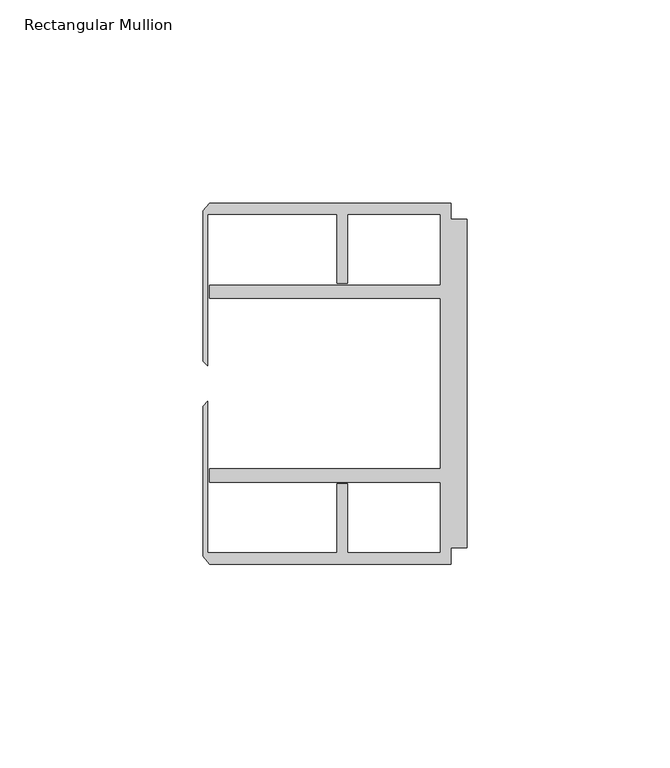
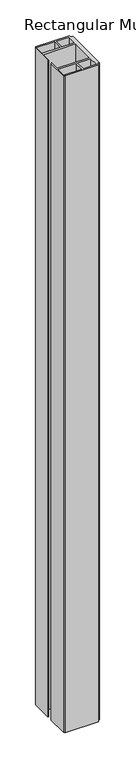
"""IFC4 building model written with IfcOpenShell, lengths in millimetres: member geometry, Rectangular Mullion."""

from ifc_helpers import new_model, si_unit, frame, origin, place, context, project, spatial, polyline, outline, extrude, source, transform, mapped, element, save


def rectangular_mullion_b675a989(model_context):
    return source(origin(), model_context, "Body", "SweptSolid", [
        extrude(outline(polyline([(-4.0000001, 44.45), (-4.0000001, 40.4500013), (0.0, 40.4500013), (0.0, -40.4500013), (-4.0000001, -40.4500013), (-4.0000001, -44.45), (-63.5, -44.45), (-65.0875, -42.5778955), (-65.0875, -5.55625), (-63.9424102, -4.4111602), (-63.9424102, -41.6500013), (-32.0000002, -41.6500013), (-32.0000002, -24.6468758), (-29.4000001, -24.6468758), (-29.4000001, -41.6500013), (-6.6000002, -41.6500013), (-6.6000002, -24.2500008), (-63.5, -24.2500008), (-63.5, -20.9500007), (-6.6000002, -20.9500007), (-6.6000002, 20.9500007), (-63.5, 20.9500007), (-63.5, 24.2500008), (-6.6000002, 24.2500008), (-6.6000002, 41.6500013), (-29.4000001, 41.6500013), (-29.4000001, 24.6468758), (-32.0000002, 24.6468758), (-32.0000002, 41.6500013), (-63.9424102, 41.6500013), (-63.9424102, 4.4111602), (-65.0875, 5.55625), (-65.0875, 42.5778955), (-63.5, 44.45), (-4.0000001, 44.45)])), frame((0.0, 0.0, -1219.2), z_axis=(0.0, 0.0, 1.0), x_axis=(1.0, 0.0, 0.0)), (0.0, 0.0, 1.0), 1219.2),
    ])


if __name__ == "__main__":
    model = new_model("IFC4")
    model_context = context("Model", 3, world=origin())
    ifc_project = project(units=[si_unit("LENGTHUNIT", "METRE", prefix="MILLI")], contexts=[model_context])
    site = spatial("IfcSite", under=ifc_project)
    building = spatial("IfcBuilding", under=site)
    placement = place(None, origin())
    rectangular_mullion_shape = rectangular_mullion_b675a989(model_context)
    element("IfcMember", 1, ObjectType="Rectangular Mullion", at=placement, inside=building, context=model_context, shape_type="MappedRepresentation", body=[
        mapped(rectangular_mullion_shape, transform((0.0, 0.0, 0.0), x_axis=(1.0, 0.0, 0.0), y_axis=(0.0, 1.0, 0.0), z_axis=(0.0, 0.0, 1.0))),
    ])
    save(model, "model.ifc")
